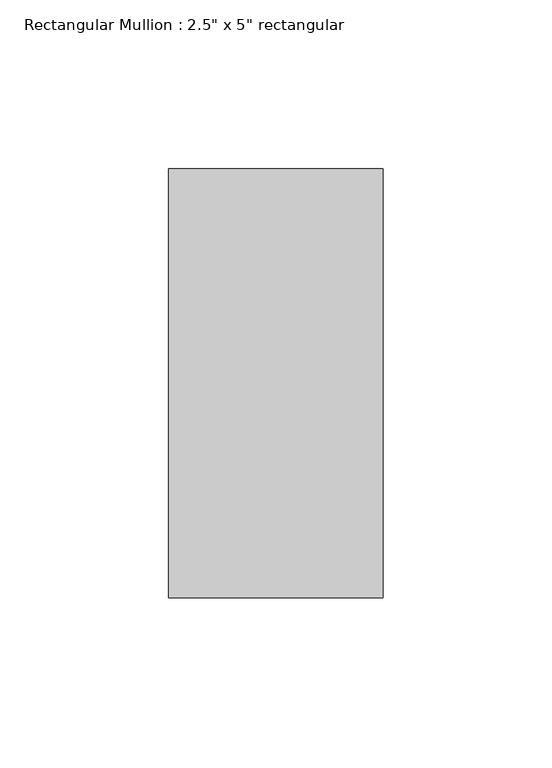
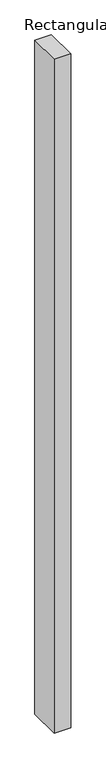
"""IFC4 building model written with IfcOpenShell, lengths in millimetres: member geometry."""

from ifc_helpers import new_model, si_unit, frame, origin, place, context, project, spatial, polyline, outline, extrude, source, transform, mapped, element, save


def member_8981fdf5(model_context):
    return source(origin(), model_context, "Body", "SweptSolid", [
        extrude(outline(polyline([(31.75, 63.5), (31.75, -63.5), (-31.75, -63.5), (-31.75, 63.5), (31.75, 63.5)])), frame((0.0, 0.0, -2730.5), z_axis=(0.0, 0.0, 1.0), x_axis=(1.0, 0.0, 0.0)), (0.0, 0.0, 1.0), 2730.5),
    ])


if __name__ == "__main__":
    model = new_model("IFC4")
    model_context = context("Model", 3, world=origin())
    ifc_project = project(units=[si_unit("LENGTHUNIT", "METRE", prefix="MILLI")], contexts=[model_context])
    site = spatial("IfcSite", under=ifc_project)
    building = spatial("IfcBuilding", under=site)
    placement = place(None, origin())
    member_shape = member_8981fdf5(model_context)
    element("IfcMember", 1, ObjectType="Rectangular Mullion : 2.5\" x 5\" rectangular", at=placement, inside=building, context=model_context, shape_type="MappedRepresentation", body=[
        mapped(member_shape, transform((0.0, 0.0, 0.0), x_axis=(1.0, 0.0, 0.0), y_axis=(0.0, 1.0, 0.0), z_axis=(0.0, 0.0, 1.0))),
    ])
    save(model, "model.ifc")
